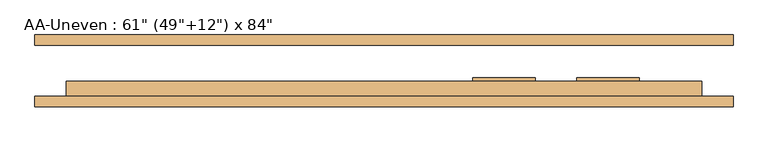
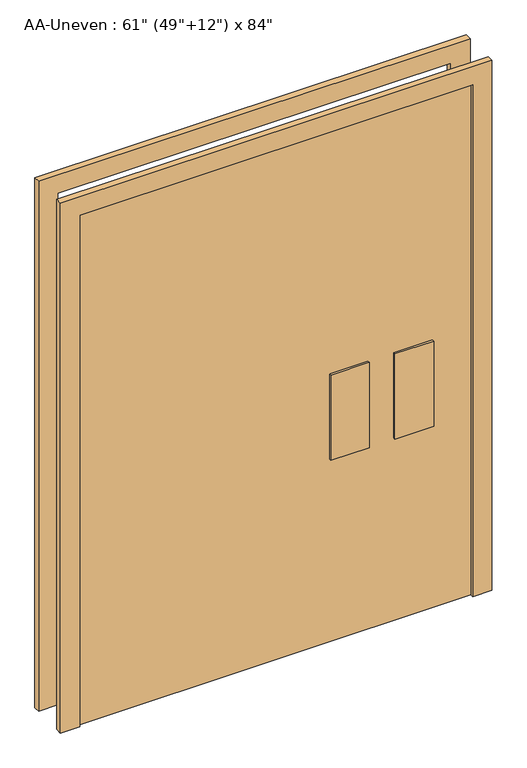
"""IFC4 building model written with IfcOpenShell, lengths in millimetres: door geometry."""

from ifc_helpers import new_model, si_unit, frame, origin, origin_with_axes, place, context, project, spatial, polyline, outline, extrude, source, transform, mapped, element, save


def door_bdba97ed(model_context):
    return source(origin(), model_context, "Body", "SweptSolid", [
        extrude(outline(polyline([(-457.2, -76.2), (-2006.6, -76.2), (-2006.6, -25.4), (-457.2, -25.4), (-457.2, -76.2)])), origin_with_axes(), (0.0, 0.0, 1.0), 2133.6),
        extrude(outline(polyline([(2133.6, -2006.6), (2133.6, -457.2), (0.0, -457.2), (0.0, -381.0), (2209.8, -381.0), (2209.8, -2082.8), (0.0, -2082.8), (0.0, -2006.6), (2133.6, -2006.6)])), frame((0.0, 61.9125, 0.0), z_axis=(0.0, 1.0, 0.0), x_axis=(0.0, 0.0, 1.0)), (0.0, 0.0, 1.0), 25.4),
        extrude(outline(polyline([(2133.6, -2006.6), (2133.6, -457.2), (0.0, -457.2), (0.0, -381.0), (2209.8, -381.0), (2209.8, -2082.8), (0.0, -2082.8), (0.0, -2006.6), (2133.6, -2006.6)])), frame((0.0, -87.3125, 0.0), z_axis=(0.0, 1.0, 0.0), x_axis=(0.0, 0.0, 1.0)), (0.0, 0.0, 1.0), 25.4),
        extrude(outline(polyline([(-863.6, -16.66875), (-863.6, -25.4), (-1016.0, -25.4), (-1016.0, -16.66875), (-863.6, -16.66875)])), frame((0.0, 0.0, 762.0), z_axis=(0.0, 0.0, 1.0), x_axis=(1.0, 0.0, 0.0)), (0.0, 0.0, 1.0), 355.6),
        extrude(outline(polyline([(-609.6, -16.66875), (-609.6, -25.4), (-762.0, -25.4), (-762.0, -16.66875), (-609.6, -16.66875)])), frame((0.0, 0.0, 762.0), z_axis=(0.0, 0.0, 1.0), x_axis=(1.0, 0.0, 0.0)), (0.0, 0.0, 1.0), 355.6),
        extrude(outline(polyline([(-1016.0, -84.8133985), (-1016.0, -76.2), (-863.6, -76.2), (-863.6, -84.8133985), (-1016.0, -84.8133985)])), frame((0.0, 0.0, 762.0), z_axis=(0.0, 0.0, 1.0), x_axis=(1.0, 0.0, 0.0)), (0.0, 0.0, 1.0), 355.6),
        extrude(outline(polyline([(-762.0, -84.8133985), (-762.0, -76.2), (-609.6, -76.2), (-609.6, -84.8133985), (-762.0, -84.8133985)])), frame((0.0, 0.0, 762.0), z_axis=(0.0, 0.0, 1.0), x_axis=(1.0, 0.0, 0.0)), (0.0, 0.0, 1.0), 355.6),
    ])


if __name__ == "__main__":
    model = new_model("IFC4")
    model_context = context("Model", 3, world=origin())
    ifc_project = project(units=[si_unit("LENGTHUNIT", "METRE", prefix="MILLI")], contexts=[model_context])
    site = spatial("IfcSite", under=ifc_project)
    building = spatial("IfcBuilding", under=site)
    placement = place(None, origin())
    door_shape = door_bdba97ed(model_context)
    element("IfcDoor", 1, ObjectType="AA-Uneven : 61\" (49\"+12\") x 84\"", at=placement, inside=building, context=model_context, shape_type="MappedRepresentation", body=[
        mapped(door_shape, transform((0.0, 0.0, 0.0), x_axis=(1.0, 0.0, 0.0), y_axis=(0.0, 1.0, 0.0), z_axis=(0.0, 0.0, 1.0))),
    ])
    save(model, "model.ifc")
